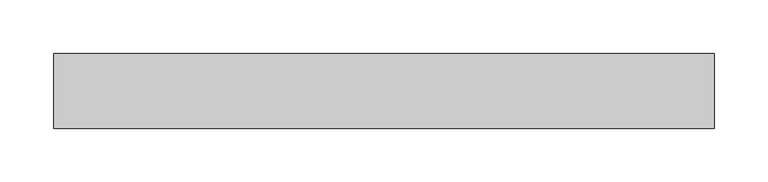
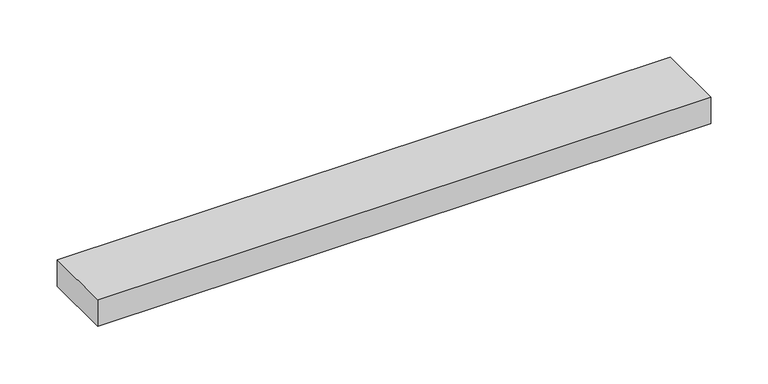
"""IFC4 building model written with IfcOpenShell, lengths in millimetres: beam geometry."""

from ifc_helpers import new_model, si_unit, frame, origin, place, context, project, spatial, polyline, outline, extrude, source, transform, mapped, element, save


def beam_586da1c0(model_context):
    return source(origin(), model_context, "Body", "SweptSolid", [
        extrude(outline(polyline([(290.4, -35.0), (-325.4, -35.0), (-325.4, 35.0), (290.4, 35.0), (290.4, -35.0)])), frame((0.0, 0.0, -14.0), z_axis=(0.0, 0.0, 1.0), x_axis=(1.0, 0.0, 0.0)), (0.0, 0.0, 1.0), 28.0),
    ])


if __name__ == "__main__":
    model = new_model("IFC4")
    model_context = context("Model", 3, world=origin())
    ifc_project = project(units=[si_unit("LENGTHUNIT", "METRE", prefix="MILLI")], contexts=[model_context])
    site = spatial("IfcSite", under=ifc_project)
    building = spatial("IfcBuilding", under=site)
    placement = place(None, origin())
    beam_shape = beam_586da1c0(model_context)
    element("IfcBeam", 1, at=placement, inside=building, context=model_context, shape_type="MappedRepresentation", body=[
        mapped(beam_shape, transform((0.0, 0.0, 0.0), x_axis=(1.0, 0.0, 0.0), y_axis=(0.0, 1.0, 0.0), z_axis=(0.0, 0.0, 1.0))),
    ])
    save(model, "model.ifc")
